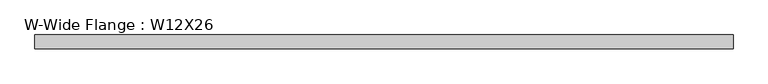
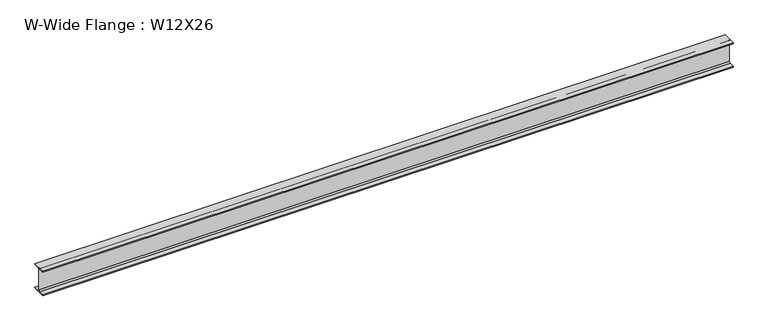
"""IFC4 building model written with IfcOpenShell, lengths in millimetres: beam geometry, W-Wide Flange : W12X26."""

from ifc_helpers import new_model, si_unit, point, frame, frame_2d, origin, place, context, project, spatial, polyline, circle_curve, trimmed, segment, composite_curve, outline, extrude, source, transform, mapped, element, save


def w_wide_flange_w12x26_77ef4fbe(model_context):
    return source(origin(), model_context, "Body", "SweptSolid", [
        extrude(outline(composite_curve([segment(polyline([(82.4011719, -145.5539063), (82.4011719, -155.178125), (-82.4011719, -155.178125), (-82.4011719, -145.5539063), (-20.2902344, -145.5539063)]), True, "CONTINUOUS"), segment(trimmed(circle_curve(frame_2d((-20.2902344, -128.190625)), 17.3632812), [point((-20.2902344, -145.5539063))], [point((-2.9269531, -128.190625))], True, "CARTESIAN"), True, "CONTINUOUS"), segment(polyline([(-2.9269531, -128.190625), (-2.9269531, 128.190625)]), True, "CONTINUOUS"), segment(trimmed(circle_curve(frame_2d((-20.2902344, 128.190625)), 17.3632812), [point((-2.9269531, 128.190625))], [point((-20.2902344, 145.5539062))], True, "CARTESIAN"), True, "CONTINUOUS"), segment(polyline([(-20.2902344, 145.5539062), (-82.4011719, 145.5539062), (-82.4011719, 155.178125), (82.4011719, 155.178125), (82.4011719, 145.5539062), (20.2902344, 145.5539062)]), True, "CONTINUOUS"), segment(trimmed(circle_curve(frame_2d((20.2902344, 128.190625)), 17.3632812), [point((20.2902344, 145.5539062))], [point((2.9269531, 128.190625))], True, "CARTESIAN"), True, "CONTINUOUS"), segment(polyline([(2.9269531, 128.190625), (2.9269531, -128.190625)]), True, "CONTINUOUS"), segment(trimmed(circle_curve(frame_2d((20.2902344, -128.190625)), 17.3632812), [point((2.9269531, -128.190625))], [point((20.2902344, -145.5539063))], True, "CARTESIAN"), True, "CONTINUOUS"), segment(polyline([(20.2902344, -145.5539063), (82.4011719, -145.5539063)]), True, "CONTINUOUS")], self_intersect=False)), frame((-4162.425, 0.0, 0.0), z_axis=(1.0, 0.0, 0.0), x_axis=(0.0, 1.0, 0.0)), (0.0, 0.0, 1.0), 8324.85),
    ])


if __name__ == "__main__":
    model = new_model("IFC4")
    model_context = context("Model", 3, world=origin())
    ifc_project = project(units=[si_unit("LENGTHUNIT", "METRE", prefix="MILLI")], contexts=[model_context])
    site = spatial("IfcSite", under=ifc_project)
    building = spatial("IfcBuilding", under=site)
    placement = place(None, origin())
    w_wide_flange_w12x26_shape = w_wide_flange_w12x26_77ef4fbe(model_context)
    element("IfcBeam", 1, ObjectType="W-Wide Flange : W12X26", at=placement, inside=building, context=model_context, shape_type="MappedRepresentation", body=[
        mapped(w_wide_flange_w12x26_shape, transform((0.0, 0.0, 0.0), x_axis=(1.0, 0.0, 0.0), y_axis=(0.0, 1.0, 0.0), z_axis=(0.0, 0.0, 1.0))),
    ])
    save(model, "model.ifc")
